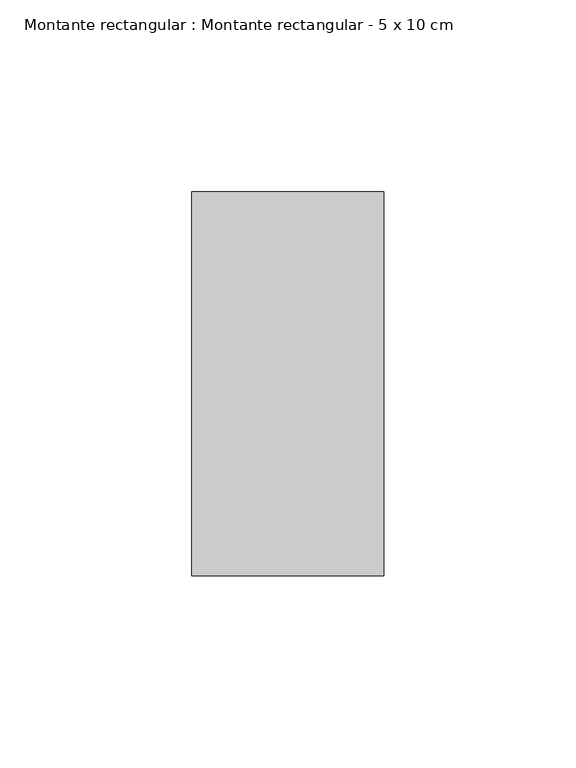
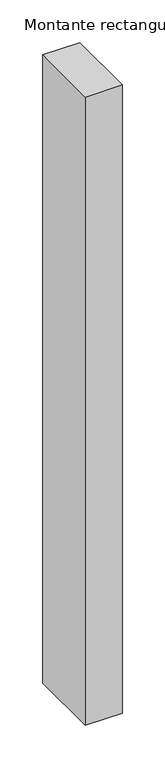
"""IFC4 building model written with IfcOpenShell, lengths in millimetres: member geometry, Montante rectangular : Montante rectangular - 5 x 10 cm."""

from ifc_helpers import new_model, si_unit, frame, origin, place, context, project, spatial, polyline, outline, extrude, source, transform, mapped, element, save


def montante_rectangular_montante_rectangular_5_x_10_cm_afb0b622(model_context):
    return source(origin(), model_context, "Body", "SweptSolid", [
        extrude(outline(polyline([(0.0, 50.0), (0.0, -50.0), (-50.0, -50.0), (-50.0, 50.0), (0.0, 50.0)])), frame((0.0, 0.0, -900.0), z_axis=(0.0, 0.0, 1.0), x_axis=(1.0, 0.0, 0.0)), (0.0, 0.0, 1.0), 900.0),
    ])


if __name__ == "__main__":
    model = new_model("IFC4")
    model_context = context("Model", 3, world=origin())
    ifc_project = project(units=[si_unit("LENGTHUNIT", "METRE", prefix="MILLI")], contexts=[model_context])
    site = spatial("IfcSite", under=ifc_project)
    building = spatial("IfcBuilding", under=site)
    placement = place(None, origin())
    montante_rectangular_montante_rectangular_5_x_10_cm_shape = montante_rectangular_montante_rectangular_5_x_10_cm_afb0b622(model_context)
    element("IfcMember", 1, ObjectType="Montante rectangular : Montante rectangular - 5 x 10 cm", at=placement, inside=building, context=model_context, shape_type="MappedRepresentation", body=[
        mapped(montante_rectangular_montante_rectangular_5_x_10_cm_shape, transform((0.0, 0.0, 0.0), x_axis=(1.0, 0.0, 0.0), y_axis=(0.0, 1.0, 0.0), z_axis=(0.0, 0.0, 1.0))),
    ])
    save(model, "model.ifc")
